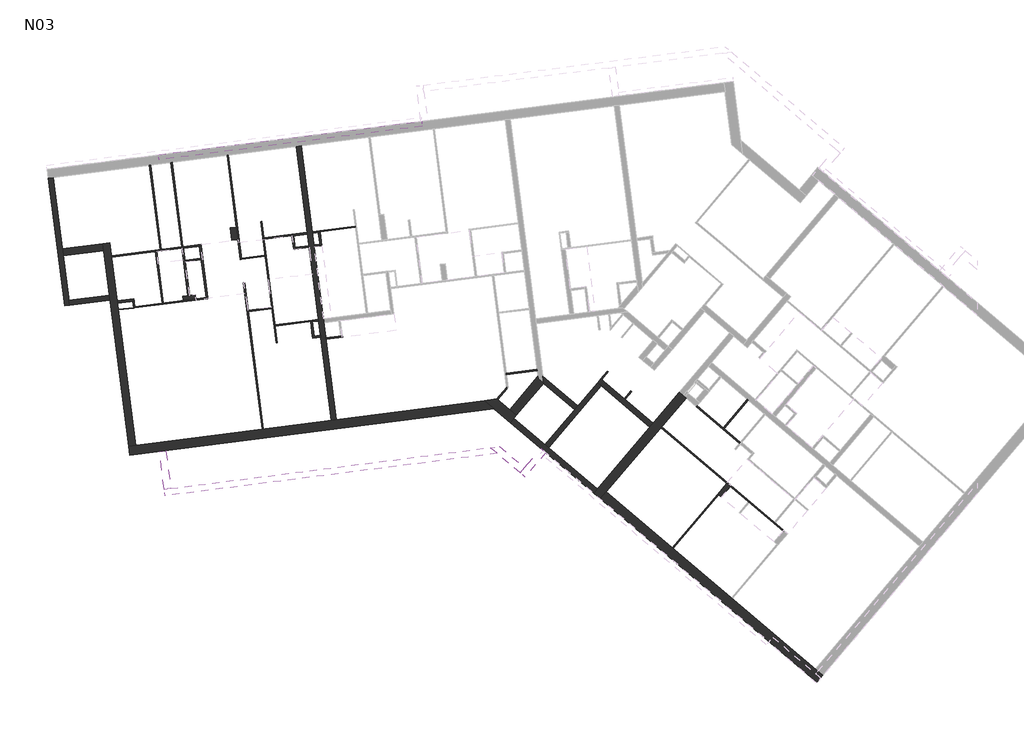
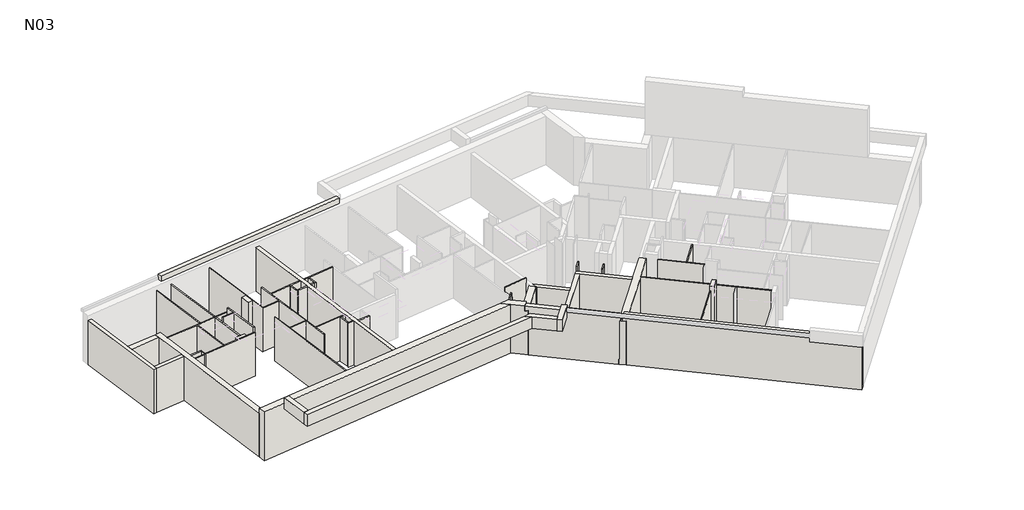
# One storey, part 1 of 3: 60 walls.
"""IFC4 building model written with IfcOpenShell, lengths in millimetres."""

from ifc_helpers import new_model, si_unit, frame, origin, place, context, project, spatial, polyline, outline, extrude, faceted_brep, element, save

model = new_model("IFC4")

# Units and contexts
model_context = context("Model", 3, world=origin())
ifc_project = project(units=[si_unit("LENGTHUNIT", "METRE", prefix="MILLI")], contexts=[model_context])

# Site, building, storey
site = spatial("IfcSite", under=ifc_project)
building = spatial("IfcBuilding", under=site)
storey = spatial("IfcBuildingStorey", under=building, Name="N03", Elevation=8610.0)

# Walls
placement = place(None, origin())
element("IfcWall", 1, at=placement, inside=storey, context=model_context, shape_type="Brep", body=[
    faceted_brep([(5758.2370181, 14194.8714572, 8610.0), (-70.9867131, 13449.8467438, 8610.0), (-269.3729541, 13424.4912832, 8610.0), (-7972.5911161, 12439.9540329, 8610.0), (-8260.2511655, 12403.1886151, 8610.0), (-8260.2511655, 12403.1886151, 11110.0), (-8260.2511655, 12403.1886151, 11380.0), (-7972.5911161, 12439.9540329, 11380.0), (5758.2370181, 14194.8714572, 11380.0), (-8213.3435635, 12036.1740692, 8610.0), (6140.2224716, 13870.6827304, 8610.0), (6140.2224716, 13870.6827304, 11380.0), (-7925.683514, 12072.939487, 11380.0), (-8213.3435635, 12036.1740692, 11380.0)], [[[0, 1, 2, 3, 4, 5, 6, 7, 8]], [[9, 10, 11, 12, 13]], [[4, 3, 2, 1, 0, 10, 9]], [[8, 7, 6, 13, 12, 11]], [[0, 8, 11, 10]], [[6, 5, 4, 9, 13]]]),
])
element("IfcWall", 2, at=placement, inside=storey, context=model_context, shape_type="Brep", body=[
    faceted_brep([(-11422.5288425, 22947.3623567, 8610.0), (-10780.4703476, 17923.7671021, 8610.0), (-10780.4703476, 17923.7671021, 11110.0), (-11422.5288425, 22947.3623567, 11110.0), (-11224.1426015, 22972.7178173, 8610.0), (-11224.1426015, 22972.7178173, 11110.0), (-10866.6306077, 20175.4718191, 11110.0), (-10829.8651899, 19887.8117696, 11110.0), (-10607.4395672, 18147.5088036, 11110.0), (-10582.0841066, 17949.1225626, 11110.0), (-10582.0841066, 17949.1225626, 8610.0), (-10607.4395672, 18147.5088036, 8610.0), (-10829.8651899, 19887.8117696, 8610.0), (-10866.6306077, 20175.4718191, 8610.0)], [[[0, 1, 2, 3]], [[4, 5, 6, 7, 8, 9, 10, 11, 12, 13]], [[1, 0, 4, 13, 12, 11, 10]], [[3, 2, 9, 8, 7, 6, 5]], [[2, 1, 10, 9]], [[0, 3, 5, 4]]]),
])
element("IfcWall", 3, at=placement, inside=storey, context=model_context, shape_type="SweptSolid", body=[
    extrude(outline(polyline([(-8994.9941786, 18151.966247), (-10582.0841066, 17949.1225626), (-10607.4395672, 18147.5088036), (-9020.3496391, 18350.352488), (-8994.9941786, 18151.966247)])), frame((0.0, 0.0, 8610.0), z_axis=(0.0, 0.0, 1.0), x_axis=(1.0, 0.0, 0.0)), (0.0, 0.0, 1.0), 2500.0),
])
element("IfcWall", 4, at=placement, inside=storey, context=model_context, shape_type="Brep", body=[
    faceted_brep([(-9279.5406797, 20378.3155035, 8610.0), (-9242.7752619, 20090.655454, 8610.0), (-9020.3496391, 18350.352488, 8610.0), (-8994.9941786, 18151.966247, 8610.0), (-8260.2511655, 12403.1886151, 8610.0), (-8260.2511655, 12403.1886151, 11110.0), (-8994.9941786, 18151.966247, 11110.0), (-9020.3496391, 18350.352488, 11110.0), (-9242.7752619, 20090.655454, 11110.0), (-9279.5406797, 20378.3155035, 11110.0), (-8991.8806302, 20415.0809213, 8610.0), (-8991.8806302, 20415.0809213, 11110.0), (-7972.5911161, 12439.9540329, 11110.0), (-7972.5911161, 12439.9540329, 8610.0)], [[[0, 1, 2, 3, 4, 5, 6, 7, 8, 9]], [[10, 11, 12, 13]], [[4, 3, 2, 1, 0, 10, 13]], [[9, 8, 7, 6, 5, 12, 11]], [[5, 4, 13, 12]], [[0, 9, 11, 10]]]),
])
element("IfcWall", 5, at=placement, inside=storey, context=model_context, shape_type="Brep", body=[
    faceted_brep([(-1646.174462, 24196.8641698, 8610.0), (-1214.5189483, 20819.5043069, 8610.0), (-1205.6445371, 20750.0691226, 8610.0), (-1147.9608644, 20298.7404243, 8610.0), (-1139.0864532, 20229.30524, 8610.0), (-776.338203, 17391.0897147, 8610.0), (-767.4637918, 17321.6545303, 8610.0), (-695.9892287, 16762.4231222, 8610.0), (-687.1148175, 16692.9879378, 8610.0), (-269.3729541, 13424.4912832, 8610.0), (-269.3729541, 13424.4912832, 11110.0), (-687.1148175, 16692.9879378, 11110.0), (-695.9892287, 16762.4231222, 11110.0), (-767.4637918, 17321.6545303, 11110.0), (-776.338203, 17391.0897147, 11110.0), (-1139.0864532, 20229.30524, 11110.0), (-1147.9608644, 20298.7404243, 11110.0), (-1205.6445371, 20750.0691226, 11110.0), (-1214.5189483, 20819.5043069, 11110.0), (-1646.174462, 24196.8641698, 11110.0), (-1447.788221, 24222.2196304, 8610.0), (-1447.788221, 24222.2196304, 11110.0), (-1016.7453916, 20849.6535333, 11110.0), (-1007.8709805, 20780.2183489, 11110.0), (-949.5746234, 20324.0958849, 11110.0), (-940.7002122, 20254.6607005, 11110.0), (-577.951962, 17416.4451752, 11110.0), (-557.6675935, 17257.7361824, 11110.0), (-482.8689849, 16672.4967715, 11110.0), (-473.9945737, 16603.0615871, 11110.0), (-70.9867131, 13449.8467438, 11110.0), (-70.9867131, 13449.8467438, 8610.0), (-473.9945737, 16603.0615871, 8610.0), (-482.8689849, 16672.4967715, 8610.0), (-557.6675935, 17257.7361824, 8610.0), (-577.951962, 17416.4451752, 8610.0), (-940.7002122, 20254.6607005, 8610.0), (-949.5746234, 20324.0958849, 8610.0), (-1007.8709805, 20780.2183489, 8610.0), (-1016.7453916, 20849.6535333, 8610.0)], [[[0, 1, 2, 3, 4, 5, 6, 7, 8, 9, 10, 11, 12, 13, 14, 15, 16, 17, 18, 19]], [[20, 21, 22, 23, 24, 25, 26, 27, 28, 29, 30, 31, 32, 33, 34, 35, 36, 37, 38, 39]], [[9, 8, 7, 6, 5, 4, 3, 2, 1, 0, 20, 39, 38, 37, 36, 35, 34, 33, 32, 31]], [[19, 18, 17, 16, 15, 14, 13, 12, 11, 10, 30, 29, 28, 27, 26, 25, 24, 23, 22, 21]], [[0, 19, 21, 20]], [[10, 9, 31, 30]]]),
])
element("IfcWall", 6, at=placement, inside=storey, context=model_context, shape_type="Brep", body=[
    faceted_brep([(10327.551374, 10316.9222052, 11110.0), (10327.551374, 10316.9222052, 8610.0), (10566.9673175, 10599.0214892, 8610.0), (12710.0141102, 13124.1330466, 8610.0), (12742.3676161, 13162.2545715, 8610.0), (13700.7356476, 14291.4815212, 8610.0), (13700.7356476, 14291.4815212, 11110.0), (12742.3676161, 13162.2545715, 11110.0), (12710.0141102, 13124.1330466, 11110.0), (10566.9673175, 10599.0214892, 11110.0), (10060.7007, 10543.3967463, 8610.0), (10060.7007, 10543.3967463, 8920.0), (10060.7007, 10543.3967463, 11110.0), (10203.0561258, 10711.1314557, 11110.0), (12273.6805015, 13150.909047, 11110.0), (12403.0945249, 13303.3951464, 11110.0), (13433.8849736, 14517.9560622, 11110.0), (13433.8849736, 14517.9560622, 8610.0), (12403.0945249, 13303.3951464, 8610.0), (12273.6805015, 13150.909047, 8610.0), (13586.371073, 14388.5420388, 8610.0), (13647.3655128, 14336.7764294, 8610.0), (13586.371073, 14388.5420388, 11110.0), (10129.3194447, 10485.1604357, 11110.0), (10194.126037, 10430.1594757, 11110.0)], [[[0, 1, 2, 3, 4, 5, 6, 7, 8, 9]], [[10, 11, 12, 13, 14, 15, 16, 17, 18, 19]], [[5, 4, 3, 2, 1, 10, 19, 18, 17, 20, 21]], [[0, 9, 8, 7, 6, 22, 16, 15, 14, 13, 12, 23, 24]], [[0, 24, 23, 12, 11, 10, 1]], [[6, 5, 21, 20, 17, 16, 22]]]),
])
element("IfcWall", 7, at=placement, inside=storey, context=model_context, shape_type="Brep", body=[
    faceted_brep([(12403.0945249, 13303.3951464, 8610.0), (11305.1946088, 14235.1761155, 8610.0), (11267.073084, 14267.5296214, 8610.0), (10382.6537071, 15018.1309575, 8610.0), (10344.5321823, 15050.4844634, 8610.0), (10344.5321823, 15050.4844634, 11110.0), (12403.0945249, 13303.3951464, 11110.0), (12273.6805015, 13150.909047, 8610.0), (12273.6805015, 13150.909047, 11110.0), (10367.6042582, 14768.5843405, 11110.0), (10215.1181588, 14897.9983639, 11110.0), (10215.1181588, 14897.9983639, 8610.0), (10367.6042582, 14768.5843405, 8610.0)], [[[0, 1, 2, 3, 4, 5, 6]], [[7, 8, 9, 10, 11, 12]], [[4, 3, 2, 1, 0, 7, 12, 11]], [[6, 5, 10, 9, 8]], [[5, 4, 11, 10]], [[0, 6, 8, 7]]]),
])
element("IfcWall", 8, at=placement, inside=storey, context=model_context, shape_type="Brep", body=[
    faceted_brep([(10215.1181588, 14897.9983639, 8610.0), (9438.6340179, 13983.0817672, 8610.0), (9309.2199944, 13830.5956677, 8610.0), (8144.4937831, 12458.2207726, 8610.0), (8144.4937831, 12458.2207726, 11110.0), (9309.2199944, 13830.5956677, 11110.0), (9438.6340179, 13983.0817672, 11110.0), (10215.1181588, 14897.9983639, 11110.0), (10367.6042582, 14768.5843405, 8610.0), (10367.6042582, 14768.5843405, 11110.0), (8296.9798826, 12328.8067492, 11110.0), (8296.9798826, 12328.8067492, 8610.0)], [[[0, 1, 2, 3, 4, 5, 6, 7]], [[8, 9, 10, 11]], [[3, 2, 1, 0, 8, 11]], [[7, 6, 5, 4, 10, 9]], [[0, 7, 9, 8]], [[4, 3, 11, 10]]]),
])
element("IfcWall", 9, at=placement, inside=storey, context=model_context, shape_type="Brep", body=[
    faceted_brep([(7021.6826483, 13607.8829857, 8610.0), (8089.348342, 14865.8933062, 8610.0), (8089.348342, 14865.8933062, 11110.0), (7021.6826483, 13607.8829857, 11110.0), (6754.8319743, 13834.3575268, 8610.0), (6754.8319743, 13834.3575268, 11110.0), (7865.2890942, 15142.7881766, 11110.0), (7865.2890942, 15142.7881766, 8610.0), (7877.7236226, 15045.4979161, 8610.0), (7877.7236226, 15045.4979161, 11110.0), (6888.2573113, 13721.1202563, 11110.0)], [[[0, 1, 2, 3]], [[4, 5, 6, 7]], [[1, 0, 4, 7, 8]], [[3, 2, 9, 6, 5, 10]], [[0, 3, 10, 5, 4]], [[2, 1, 8, 9]], [[8, 7, 6, 9]]]),
])
element("IfcWall", 10, at=placement, inside=storey, context=model_context, shape_type="Brep", body=[
    faceted_brep([(9438.6340179, 13983.0817672, 8610.0), (8066.276266, 15147.7934292, 8610.0), (8066.276266, 15147.7934292, 11110.0), (9438.6340179, 13983.0817672, 11110.0), (9309.2199944, 13830.5956677, 8610.0), (9309.2199944, 13830.5956677, 11110.0), (8103.8819853, 14853.5586918, 11110.0), (8103.8819853, 14853.5586918, 10610.0), (8103.8819853, 14853.5586918, 8610.0), (8100.609629, 14879.1622679, 8610.0)], [[[0, 1, 2, 3]], [[4, 5, 6, 7, 8]], [[1, 0, 4, 8, 9]], [[3, 2, 6, 5]], [[0, 3, 5, 4]], [[2, 1, 9, 8, 7, 6]]]),
])
element("IfcWall", 11, at=placement, inside=storey, context=model_context, shape_type="Brep", body=[
    faceted_brep([(10172.5589059, 10737.0142604, 8610.0), (8296.9798826, 12328.8067492, 8610.0), (8144.4937831, 12458.2207726, 8610.0), (6924.6221307, 13493.5184111, 8610.0), (6924.6221307, 13493.5184111, 11110.0), (6791.1967937, 13606.7556817, 11110.0), (6791.1967937, 13606.7556817, 11380.0), (6924.6221307, 13493.5184111, 11380.0), (10203.0561258, 10711.1314557, 11380.0), (10271.6748706, 10652.8951451, 11380.0), (10271.6748706, 10652.8951451, 11110.0), (10203.0561258, 10711.1314557, 11110.0), (10203.0561258, 10711.1314557, 8920.0), (10172.5589059, 10737.0142604, 8920.0), (10030.2034801, 10569.279551, 8610.0), (10030.2034801, 10569.279551, 8920.0), (10060.7007, 10543.3967463, 8920.0), (10060.7007, 10543.3967463, 11110.0), (10129.3194447, 10485.1604357, 11110.0), (10129.3194447, 10485.1604357, 11380.0), (10060.7007, 10543.3967463, 11380.0), (6782.2667049, 13325.7837017, 11380.0), (6648.8413679, 13439.0209723, 11380.0), (6648.8413679, 13439.0209723, 11110.0), (6782.2667049, 13325.7837017, 11110.0), (6782.2667049, 13325.7837017, 8610.0)], [[[0, 1, 2, 3, 4, 5, 6, 7, 8, 9, 10, 11, 12, 13]], [[14, 15, 16, 17, 18, 19, 20, 21, 22, 23, 24, 25]], [[3, 2, 1, 0, 14, 25]], [[9, 8, 7, 6, 22, 21, 20, 19]], [[6, 5, 23, 22]], [[23, 5, 4, 24]], [[4, 3, 25, 24]], [[12, 16, 15, 13]], [[10, 9, 19, 18]], [[10, 18, 17, 11]], [[0, 13, 15, 14]], [[12, 11, 17, 16]]]),
])
element("IfcWall", 12, at=placement, inside=storey, context=model_context, shape_type="Brep", body=[
    faceted_brep([(7021.6826483, 13607.8829857, 8610.0), (6888.2573113, 13721.1202563, 8610.0), (6754.8319743, 13834.3575268, 8610.0), (6293.3261913, 14226.0346728, 8610.0), (6255.2046664, 14258.3881787, 8610.0), (6255.2046664, 14258.3881787, 11380.0), (6293.3261913, 14226.0346728, 11380.0), (6888.2573113, 13721.1202563, 11380.0), (6888.2573113, 13721.1202563, 11110.0), (7021.6826483, 13607.8829857, 11110.0), (6782.2667049, 13325.7837017, 8610.0), (6782.2667049, 13325.7837017, 11110.0), (6648.8413679, 13439.0209723, 11110.0), (6648.8413679, 13439.0209723, 11380.0), (6140.2224716, 13870.6827304, 11380.0), (5758.2370181, 14194.8714572, 11380.0), (5758.2370181, 14194.8714572, 8610.0), (6140.2224716, 13870.6827304, 8610.0), (6648.8413679, 13439.0209723, 8610.0), (6924.6221307, 13493.5184111, 8610.0), (6791.1967937, 13606.7556817, 11380.0), (6791.1967937, 13606.7556817, 11110.0), (6924.6221307, 13493.5184111, 11110.0)], [[[0, 1, 2, 3, 4, 5, 6, 7, 8, 9]], [[10, 11, 12, 13, 14, 15, 16, 17, 18]], [[4, 3, 2, 1, 0, 19, 10, 18, 17, 16]], [[7, 6, 5, 15, 14, 13, 20]], [[8, 7, 20, 13, 12, 21]], [[8, 21, 12, 11, 22, 9]], [[0, 9, 22, 11, 10, 19]], [[5, 4, 16, 15]]]),
])
element("IfcWall", 13, at=placement, inside=storey, context=model_context, shape_type="Brep", body=[
    faceted_brep([(5996.4358323, 12340.1039215, 11050.0), (-6597.3795676, 10730.5064617, 11050.0), (-6855.2816809, 10697.544363, 11050.0), (-6855.2816809, 10697.544363, 11690.0), (-6597.3795676, 10730.5064617, 11690.0), (5996.4358323, 12340.1039215, 11690.0), (6264.8580429, 12112.2956269, 11050.0), (6264.8580429, 12112.2956269, 11690.0), (-6822.3195822, 10439.6422497, 11690.0), (-6822.3195822, 10439.6422497, 11050.0)], [[[0, 1, 2, 3, 4, 5]], [[6, 7, 8, 9]], [[2, 1, 0, 6, 9]], [[5, 4, 3, 8, 7]], [[3, 2, 9, 8]], [[0, 5, 7, 6]]]),
])
element("IfcWall", 14, at=placement, inside=storey, context=model_context, shape_type="SweptSolid", body=[
    extrude(outline(polyline([(-6787.5455217, 12218.4032693), (-6597.3795676, 10730.5064617), (-6855.2816809, 10697.544363), (-7045.447635, 12185.4411706), (-6787.5455217, 12218.4032693)])), frame((0.0, 0.0, 11050.0), z_axis=(0.0, 0.0, 1.0), x_axis=(1.0, 0.0, 0.0)), (0.0, 0.0, 1.0), 640.0),
])
element("IfcWall", 15, at=placement, inside=storey, context=model_context, shape_type="Brep", body=[
    faceted_brep([(19080.8771151, 3373.318121, 8610.0), (18798.7778311, 3612.7340644, 8610.0), (15531.8242191, 6385.3776887, 8610.0), (15493.7026942, 6417.7311946, 8610.0), (13191.8131736, 8371.3308048, 8610.0), (13153.6916488, 8403.6843107, 8610.0), (10566.9673175, 10599.0214892, 8610.0), (10566.9673175, 10599.0214892, 11110.0), (10433.5419804, 10712.2587597, 11110.0), (10433.5419804, 10712.2587597, 11380.0), (10566.9673175, 10599.0214892, 11380.0), (16923.1988078, 5204.5265532, 11380.0), (18897.8937958, 3528.6149492, 11380.0), (18897.8937958, 3528.6149492, 11050.0), (19080.8771151, 3373.318121, 11050.0), (10327.551374, 10316.9222052, 8610.0), (18841.4611717, 3091.218837, 8610.0), (18841.4611717, 3091.218837, 11050.0), (18658.4778524, 3246.5156652, 11050.0), (18658.4778524, 3246.5156652, 11380.0), (16965.8821484, 4683.0113258, 11380.0), (16683.7828644, 4922.4272692, 11380.0), (10327.551374, 10316.9222052, 11380.0), (10194.126037, 10430.1594757, 11380.0), (10194.126037, 10430.1594757, 11110.0), (10327.551374, 10316.9222052, 11110.0), (18813.7746805, 3429.4989845, 11050.0)], [[[0, 1, 2, 3, 4, 5, 6, 7, 8, 9, 10, 11, 12, 13, 14]], [[15, 16, 17, 18, 19, 20, 21, 22, 23, 24, 25]], [[6, 5, 4, 3, 2, 1, 0, 16, 15]], [[12, 11, 10, 9, 23, 22, 21, 20, 19]], [[23, 9, 8, 24]], [[6, 15, 25, 7]], [[24, 8, 7, 25]], [[18, 17, 14, 13, 26]], [[16, 0, 14, 17]], [[12, 19, 18, 26, 13]]]),
])
element("IfcWall", 16, at=placement, inside=storey, context=model_context, shape_type="Brep", body=[
    faceted_brep([(7979.2654424, 12309.8981668, 11690.0), (7979.2654424, 12309.8981668, 11050.0), (7332.195325, 11547.4676695, 11050.0), (7163.9570945, 11349.2357402, 11050.0), (7163.9570945, 11349.2357402, 11690.0), (7332.195325, 11547.4676695, 11690.0), (8177.4973717, 12141.6599362, 11050.0), (8177.4973717, 12141.6599362, 11690.0), (7362.1890238, 11180.9975097, 11690.0), (7362.1890238, 11180.9975097, 11050.0)], [[[0, 1, 2, 3, 4, 5]], [[6, 7, 8, 9]], [[3, 2, 1, 6, 9]], [[0, 5, 4, 8, 7]], [[0, 7, 6, 1]], [[4, 3, 9, 8]]]),
])
element("IfcWall", 17, at=placement, inside=storey, context=model_context, shape_type="Brep", body=[
    faceted_brep([(5996.4358323, 12340.1039215, 11050.0), (6264.8580429, 12112.2956269, 11050.0), (7163.9570945, 11349.2357402, 11050.0), (7163.9570945, 11349.2357402, 11690.0), (6264.8580429, 12112.2956269, 11690.0), (5996.4358323, 12340.1039215, 11690.0), (6345.6563419, 12384.7372933, 11050.0), (6345.6563419, 12384.7372933, 11690.0), (7332.195325, 11547.4676695, 11690.0), (7332.195325, 11547.4676695, 11050.0)], [[[0, 1, 2, 3, 4, 5]], [[6, 7, 8, 9]], [[2, 1, 0, 6, 9]], [[5, 4, 3, 8, 7]], [[3, 2, 9, 8]], [[0, 5, 7, 6]]]),
])
element("IfcWall", 18, at=placement, inside=storey, context=model_context, shape_type="SweptSolid", body=[
    extrude(outline(polyline([(-9242.7752619, 20090.655454), (-10829.8651899, 19887.8117696), (-10866.6306077, 20175.4718191), (-9279.5406797, 20378.3155035), (-9242.7752619, 20090.655454)])), frame((0.0, 0.0, 8610.0), z_axis=(0.0, 0.0, 1.0), x_axis=(1.0, 0.0, 0.0)), (0.0, 0.0, 1.0), 2500.0),
])
element("IfcWall", 19, ObjectType="CLO 10", at=placement, inside=storey, context=model_context, shape_type="Brep", body=[
    faceted_brep([(-8686.9385737, 18029.1527228, 8610.0), (-8091.7798507, 18105.2191044, 8610.0), (-8042.1832904, 18111.5579696, 8610.0), (-8042.1832904, 18111.5579696, 11110.0), (-8091.7798507, 18105.2191044, 11110.0), (-8686.9385737, 18029.1527228, 11110.0), (-8699.616304, 18128.3458433, 8610.0), (-8699.616304, 18128.3458433, 11110.0), (-8054.8610207, 18210.7510901, 11110.0), (-8054.8610207, 18210.7510901, 8610.0)], [[[0, 1, 2, 3, 4, 5]], [[6, 7, 8, 9]], [[2, 1, 0, 6, 9]], [[5, 4, 3, 8, 7]], [[0, 5, 7, 6]], [[3, 2, 9, 8]]]),
])
element("IfcWall", 20, ObjectType="CLO 2", at=placement, inside=storey, context=model_context, shape_type="SweptSolid", body=[
    extrude(outline(polyline([(-8655.244248, 17781.1699215), (-8060.085525, 17857.2363032), (-8057.549979, 17837.3976791), (-8652.708702, 17761.3312974), (-8655.244248, 17781.1699215)])), frame((0.0, 0.0, 8610.0), z_axis=(0.0, 0.0, 1.0), x_axis=(1.0, 0.0, 0.0)), (0.0, 0.0, 1.0), 2500.0),
])
element("IfcWall", 21, ObjectType="CLO 5", at=placement, inside=storey, context=model_context, shape_type="SweptSolid", body=[
    extrude(outline(polyline([(-7011.026644, 20140.0247343), (-7434.9653983, 23457.0071138), (-7385.368838, 23463.3459789), (-6961.4300838, 20146.3635995), (-7011.026644, 20140.0247343)])), frame((0.0, 0.0, 8610.0), z_axis=(0.0, 0.0, 1.0), x_axis=(1.0, 0.0, 0.0)), (0.0, 0.0, 1.0), 2500.0),
])
element("IfcWall", 22, ObjectType="CLO 5", at=placement, inside=storey, context=model_context, shape_type="Brep", body=[
    faceted_brep([(-8919.1150046, 19845.7479798, 8610.0), (-7198.1143639, 20065.7066, 8610.0), (-7148.5178036, 20072.0454652, 8610.0), (-6161.5462546, 20198.1888814, 8610.0), (-6161.5462546, 20198.1888814, 11110.0), (-7148.5178036, 20072.0454652, 11110.0), (-7198.1143639, 20065.7066, 11110.0), (-8919.1150046, 19845.7479798, 11110.0), (-8925.4538698, 19895.34454, 8610.0), (-8925.4538698, 19895.34454, 11110.0), (-7011.026644, 20140.0247343, 11110.0), (-6961.4300838, 20146.3635995, 11110.0), (-6167.8851198, 20247.7854417, 11110.0), (-6167.8851198, 20247.7854417, 8610.0), (-6961.4300838, 20146.3635995, 8610.0), (-7011.026644, 20140.0247343, 8610.0), (-6164.7156872, 20222.9871616, 8610.0), (-6163.4479142, 20213.0678495, 8610.0), (-6163.4479142, 20213.0678495, 11110.0), (-6164.7156872, 20222.9871616, 11110.0)], [[[0, 1, 2, 3, 4, 5, 6, 7]], [[8, 9, 10, 11, 12, 13, 14, 15]], [[3, 2, 1, 0, 8, 15, 14, 13, 16, 17]], [[7, 6, 5, 4, 18, 19, 12, 11, 10, 9]], [[0, 7, 9, 8]], [[4, 3, 17, 18]], [[17, 16, 19, 18]], [[16, 13, 12, 19]]]),
])
element("IfcWall", 23, ObjectType="CLO 5", at=placement, inside=storey, context=model_context, shape_type="Brep", body=[
    faceted_brep([(-4373.9852759, 23848.2265872, 8610.0), (-3849.8924524, 19747.6185558, 8610.0), (-3849.8924524, 19747.6185558, 11110.0), (-4373.9852759, 23848.2265872, 11110.0), (-4324.3887156, 23854.5654524, 8610.0), (-4324.3887156, 23854.5654524, 11110.0), (-3806.6347573, 19803.5539812, 11110.0), (-3800.2958922, 19753.9574209, 11110.0), (-3800.2958922, 19753.9574209, 8610.0), (-3806.6347573, 19803.5539812, 8610.0)], [[[0, 1, 2, 3]], [[4, 5, 6, 7, 8, 9]], [[1, 0, 4, 9, 8]], [[3, 2, 7, 6, 5]], [[0, 3, 5, 4]], [[2, 1, 8, 7]]]),
])
element("IfcWall", 24, ObjectType="CLO 5", at=placement, inside=storey, context=model_context, shape_type="SweptSolid", body=[
    extrude(outline(polyline([(-2920.640621, 20601.4473462), (-1829.5162954, 20740.9023792), (-1823.1774303, 20691.305819), (-2914.3017558, 20551.8507859), (-2920.640621, 20601.4473462)])), frame((0.0, 0.0, 8610.0), z_axis=(0.0, 0.0, 1.0), x_axis=(1.0, 0.0, 0.0)), (0.0, 0.0, 1.0), 2500.0),
])
element("IfcWall", 25, ObjectType="CLO 5", at=placement, inside=storey, context=model_context, shape_type="SweptSolid", body=[
    extrude(outline(polyline([(-2614.4616827, 17811.4491721), (-3536.9577034, 17693.5462805), (-3543.2965685, 17743.1428408), (-2620.8005478, 17861.0457323), (-2614.4616827, 17811.4491721)])), frame((0.0, 0.0, 8610.0), z_axis=(0.0, 0.0, 1.0), x_axis=(1.0, 0.0, 0.0)), (0.0, 0.0, 1.0), 2500.0),
])
element("IfcWall", 26, ObjectType="CLO 5", at=placement, inside=storey, context=model_context, shape_type="Brep", body=[
    faceted_brep([(-3053.1217016, 21243.6136977, 8610.0), (-2884.1387366, 19921.4568728, 8610.0), (-2877.7998715, 19871.8603125, 8610.0), (-2620.8005478, 17861.0457323, 8610.0), (-2614.4616827, 17811.4491721, 8610.0), (-2442.8330504, 16468.5921119, 8610.0), (-2442.8330504, 16468.5921119, 11110.0), (-2614.4616827, 17811.4491721, 11110.0), (-2620.8005478, 17861.0457323, 11110.0), (-2877.7998715, 19871.8603125, 11110.0), (-2884.1387366, 19921.4568728, 11110.0), (-3053.1217016, 21243.6136977, 11110.0), (-3003.5251414, 21249.9525628, 8610.0), (-3003.5251414, 21249.9525628, 11110.0), (-2920.640621, 20601.4473462, 11110.0), (-2914.3017558, 20551.8507859, 11110.0), (-2482.4598756, 17173.0327539, 11110.0), (-2476.1210105, 17123.4361937, 11110.0), (-2393.2364901, 16474.9309771, 11110.0), (-2393.2364901, 16474.9309771, 8610.0), (-2476.1210105, 17123.4361937, 8610.0), (-2482.4598756, 17173.0327539, 8610.0), (-2914.3017558, 20551.8507859, 8610.0), (-2920.640621, 20601.4473462, 8610.0)], [[[0, 1, 2, 3, 4, 5, 6, 7, 8, 9, 10, 11]], [[12, 13, 14, 15, 16, 17, 18, 19, 20, 21, 22, 23]], [[5, 4, 3, 2, 1, 0, 12, 23, 22, 21, 20, 19]], [[6, 5, 19, 18]], [[11, 10, 9, 8, 7, 6, 18, 17, 16, 15, 14, 13]], [[0, 11, 13, 12]]]),
])
element("IfcWall", 27, ObjectType="CLO 5", at=placement, inside=storey, context=model_context, shape_type="Brep", body=[
    faceted_brep([(-2476.1210105, 17123.4361937, 8610.0), (-1087.4173235, 17300.9244176, 8610.0), (-1017.9821391, 17309.7988287, 8610.0), (-1017.9821391, 17309.7988287, 11110.0), (-1087.4173235, 17300.9244176, 11110.0), (-2476.1210105, 17123.4361937, 11110.0), (-2482.4598756, 17173.0327539, 8610.0), (-2482.4598756, 17173.0327539, 11110.0), (-1024.3210043, 17359.395389, 11110.0), (-1024.3210043, 17359.395389, 8610.0)], [[[0, 1, 2, 3, 4, 5]], [[6, 7, 8, 9]], [[2, 1, 0, 6, 9]], [[5, 4, 3, 8, 7]], [[3, 2, 9, 8]], [[0, 5, 7, 6]]]),
])
element("IfcWall", 28, ObjectType="CLO 5", at=placement, inside=storey, context=model_context, shape_type="Brep", body=[
    faceted_brep([(-3731.9895609, 18825.1225351, 8610.0), (-2997.1837679, 13075.8537006, 8610.0), (-2997.1837679, 13075.8537006, 11110.0), (-3731.9895609, 18825.1225351, 11110.0), (-3682.3930006, 18831.4614003, 8610.0), (-3682.3930006, 18831.4614003, 11110.0), (-3543.2965685, 17743.1428408, 11110.0), (-3536.9577034, 17693.5462805, 11110.0), (-2947.5872077, 13082.1925658, 11110.0), (-2947.5872077, 13082.1925658, 8610.0), (-3536.9577034, 17693.5462805, 8610.0), (-3543.2965685, 17743.1428408, 8610.0)], [[[0, 1, 2, 3]], [[4, 5, 6, 7, 8, 9, 10, 11]], [[1, 0, 4, 11, 10, 9]], [[2, 1, 9, 8]], [[3, 2, 8, 7, 6, 5]], [[0, 3, 5, 4]]]),
])
element("IfcWall", 29, ObjectType="CLO 5", at=placement, inside=storey, context=model_context, shape_type="Brep", body=[
    faceted_brep([(12710.0141102, 13124.1330466, 8610.0), (15296.7384415, 10928.7958681, 8610.0), (15449.224541, 10799.3818446, 8610.0), (16158.2849035, 10197.6066355, 8610.0), (16196.4064283, 10165.2531296, 8610.0), (17522.3849124, 9039.9032696, 8610.0), (17522.3849124, 9039.9032696, 11110.0), (16196.4064283, 10165.2531296, 11110.0), (16158.2849035, 10197.6066355, 11110.0), (12710.0141102, 13124.1330466, 11110.0), (12742.3676161, 13162.2545715, 8610.0), (12742.3676161, 13162.2545715, 11110.0), (17173.5231696, 9401.5598532, 11110.0), (17211.6446945, 9369.2063473, 11110.0), (17554.7384183, 9078.0247945, 11110.0), (17554.7384183, 9078.0247945, 8610.0), (17211.6446945, 9369.2063473, 8610.0), (17173.5231696, 9401.5598532, 8610.0)], [[[0, 1, 2, 3, 4, 5, 6, 7, 8, 9]], [[10, 11, 12, 13, 14, 15, 16, 17]], [[5, 4, 3, 2, 1, 0, 10, 17, 16, 15]], [[6, 5, 15, 14]], [[9, 8, 7, 6, 14, 13, 12, 11]], [[0, 9, 11, 10]]]),
])
element("IfcWall", 30, ObjectType="CLO 5", at=placement, inside=storey, context=model_context, shape_type="SweptSolid", body=[
    extrude(outline(polyline([(14980.9620482, 10479.4511298), (13191.8131736, 8371.3308048), (13153.6916488, 8403.6843107), (14942.8405234, 10511.8046357), (14980.9620482, 10479.4511298)])), frame((0.0, 0.0, 8610.0), z_axis=(0.0, 0.0, 1.0), x_axis=(1.0, 0.0, 0.0)), (0.0, 0.0, 1.0), 2500.0),
])
element("IfcWall", 31, ObjectType="CLO 5", at=placement, inside=storey, context=model_context, shape_type="Brep", body=[
    faceted_brep([(-8091.7798507, 18105.2191044, 8610.0), (-8060.085525, 17857.2363032, 8610.0), (-8057.549979, 17837.3976791, 8610.0), (-8057.549979, 17837.3976791, 11110.0), (-8060.085525, 17857.2363032, 11110.0), (-8091.7798507, 18105.2191044, 11110.0), (-8042.1832904, 18111.5579696, 8610.0), (-8042.1832904, 18111.5579696, 11110.0), (-8014.2922838, 17893.3331045, 11110.0), (-8007.9534187, 17843.7365442, 11110.0), (-8007.9534187, 17843.7365442, 8610.0), (-8014.2922838, 17893.3331045, 8610.0)], [[[0, 1, 2, 3, 4, 5]], [[6, 7, 8, 9, 10, 11]], [[2, 1, 0, 6, 11, 10]], [[5, 4, 3, 9, 8, 7]], [[3, 2, 10, 9]], [[0, 5, 7, 6]]]),
])
element("IfcWall", 32, ObjectType="CLO 5", at=placement, inside=storey, context=model_context, shape_type="SweptSolid", body=[
    extrude(outline(polyline([(-6938.0469264, 18030.886478), (-7198.1143639, 20065.7066), (-7148.5178036, 20072.0454652), (-6888.4503661, 18037.2253431), (-6938.0469264, 18030.886478)])), frame((0.0, 0.0, 8610.0), z_axis=(0.0, 0.0, 1.0), x_axis=(1.0, 0.0, 0.0)), (0.0, 0.0, 1.0), 2500.0),
])
element("IfcWall", 33, ObjectType="CLO 5", at=placement, inside=storey, context=model_context, shape_type="Brep", body=[
    faceted_brep([(-5137.6917893, 18260.9872825, 8610.0), (-6888.4503661, 18037.2253431, 8610.0), (-6938.0469264, 18030.886478, 8610.0), (-8014.2922838, 17893.3331045, 8610.0), (-8014.2922838, 17893.3331045, 11110.0), (-6938.0469264, 18030.886478, 11110.0), (-6888.4503661, 18037.2253431, 11110.0), (-5137.6917893, 18260.9872825, 11110.0), (-5137.6917893, 18260.9872825, 11090.0), (-5131.3529241, 18211.3907222, 8610.0), (-5131.3529241, 18211.3907222, 11110.0), (-8007.9534187, 17843.7365442, 11110.0), (-8007.9534187, 17843.7365442, 8610.0)], [[[0, 1, 2, 3, 4, 5, 6, 7, 8]], [[9, 10, 11, 12]], [[3, 2, 1, 0, 9, 12]], [[7, 6, 5, 4, 11, 10]], [[0, 8, 7, 10, 9]], [[4, 3, 12, 11]]]),
])
element("IfcWall", 34, ObjectType="CLO 5", at=placement, inside=storey, context=model_context, shape_type="SweptSolid", body=[
    extrude(outline(polyline([(-6542.2273138, 23571.1066863), (-6118.2885595, 20254.1243068), (-6167.8851198, 20247.7854417), (-6591.823874, 23564.7678211), (-6542.2273138, 23571.1066863)])), frame((0.0, 0.0, 8610.0), z_axis=(0.0, 0.0, 1.0), x_axis=(1.0, 0.0, 0.0)), (0.0, 0.0, 1.0), 2500.0),
])
element("IfcWall", 35, ObjectType="CLO 5", at=placement, inside=storey, context=model_context, shape_type="Brep", body=[
    faceted_brep([(15833.841628, 12546.7072212, 8610.0), (15201.0243153, 13083.7754186, 8610.0), (15162.9027904, 13116.1289245, 8610.0), (14137.1773171, 13986.6558838, 8610.0), (14137.1773171, 13986.6558838, 11110.0), (15162.9027904, 13116.1289245, 11110.0), (15201.0243153, 13083.7754186, 11110.0), (15833.841628, 12546.7072212, 11110.0), (15801.4881222, 12508.5856963, 8610.0), (15801.4881222, 12508.5856963, 11110.0), (14104.8238112, 13948.5343589, 11110.0), (14104.8238112, 13948.5343589, 8610.0)], [[[0, 1, 2, 3, 4, 5, 6, 7]], [[8, 9, 10, 11]], [[3, 2, 1, 0, 8, 11]], [[7, 6, 5, 4, 10, 9]], [[0, 7, 9, 8]], [[4, 3, 11, 10]]]),
])
element("IfcWall", 36, ObjectType="CLO 5", at=placement, inside=storey, context=model_context, shape_type="Brep", body=[
    faceted_brep([(16113.3916052, 14236.0719418, 8610.0), (15162.9027904, 13116.1289245, 8610.0), (15162.9027904, 13116.1289245, 11110.0), (16113.3916052, 14236.0719418, 11110.0), (16151.51313, 14203.718436, 8610.0), (16151.51313, 14203.718436, 11110.0), (15201.0243153, 13083.7754186, 11110.0), (15201.0243153, 13083.7754186, 10710.0), (15201.0243153, 13083.7754186, 8610.0)], [[[0, 1, 2, 3]], [[4, 5, 6, 7, 8]], [[1, 0, 4, 8]], [[3, 2, 6, 5]], [[0, 3, 5, 4]], [[2, 1, 8, 7, 6]]]),
])
element("IfcWall", 37, ObjectType="CLO 5", at=placement, inside=storey, context=model_context, shape_type="Brep", body=[
    faceted_brep([(-2884.1387366, 19921.4568728, 8610.0), (-3806.6347573, 19803.5539812, 8610.0), (-3806.6347573, 19803.5539812, 11110.0), (-2884.1387366, 19921.4568728, 11110.0), (-2877.7998715, 19871.8603125, 8610.0), (-2877.7998715, 19871.8603125, 10710.0), (-2877.7998715, 19871.8603125, 11110.0), (-3800.2958922, 19753.9574209, 11110.0), (-3800.2958922, 19753.9574209, 8610.0)], [[[0, 1, 2, 3]], [[4, 5, 6, 7, 8]], [[1, 0, 4, 8]], [[3, 2, 7, 6]], [[0, 3, 6, 5, 4]], [[2, 1, 8, 7]]]),
])
element("IfcWall", 38, ObjectType="CLO 5", at=placement, inside=storey, context=model_context, shape_type="SweptSolid", body=[
    extrude(outline(polyline([(11564.0226558, 14540.1483144), (11305.1946088, 14235.1761155), (11267.073084, 14267.5296214), (11525.9011309, 14572.5018203), (11564.0226558, 14540.1483144)])), frame((0.0, 0.0, 8610.0), z_axis=(0.0, 0.0, 1.0), x_axis=(1.0, 0.0, 0.0)), (0.0, 0.0, 1.0), 2770.0),
])
element("IfcWall", 39, ObjectType="CLO 5", at=placement, inside=storey, context=model_context, shape_type="Brep", body=[
    faceted_brep([(10382.6537071, 15018.1309575, 8610.0), (10641.4817541, 15323.1031564, 8610.0), (10641.4817541, 15323.1031564, 11380.0), (10382.6537071, 15018.1309575, 11380.0), (10344.5321823, 15050.4844634, 8610.0), (10344.5321823, 15050.4844634, 11110.0), (10344.5321823, 15050.4844634, 11380.0), (10603.3602292, 15355.4566623, 11380.0), (10603.3602292, 15355.4566623, 8610.0)], [[[0, 1, 2, 3]], [[4, 5, 6, 7, 8]], [[1, 0, 4, 8]], [[2, 1, 8, 7]], [[3, 2, 7, 6]], [[0, 3, 6, 5, 4]]]),
])
element("IfcWall", 40, ObjectType="CLO 5", at=placement, inside=storey, context=model_context, shape_type="SweptSolid", body=[
    extrude(outline(polyline([(7836.5338475, 15367.7750306), (6626.3777773, 15213.1067212), (6620.0389122, 15262.7032815), (7830.1949823, 15417.3715908), (7836.5338475, 15367.7750306)])), frame((0.0, 0.0, 8610.0), z_axis=(0.0, 0.0, 1.0), x_axis=(1.0, 0.0, 0.0)), (0.0, 0.0, 1.0), 2770.0),
])
element("IfcWall", 41, ObjectType="CLO 5", at=placement, inside=storey, context=model_context, shape_type="SweptSolid", body=[
    extrude(outline(polyline([(672.7679817, 21015.1810896), (-712.827165, 20838.0901638), (-719.1660301, 20887.6867241), (666.4291166, 21064.7776499), (672.7679817, 21015.1810896)])), frame((0.0, 0.0, 8610.0), z_axis=(0.0, 0.0, 1.0), x_axis=(1.0, 0.0, 0.0)), (0.0, 0.0, 1.0), 2500.0),
])
element("IfcWall", 42, ObjectType="CLO 5", at=placement, inside=storey, context=model_context, shape_type="Brep", body=[
    faceted_brep([(6293.3261913, 14226.0346728, 8610.0), (6648.6217842, 14644.672759, 8610.0), (6648.6217842, 14644.672759, 11110.0), (6648.6217842, 14644.672759, 11380.0), (6293.3261913, 14226.0346728, 11380.0), (6255.2046664, 14258.3881787, 8610.0), (6255.2046664, 14258.3881787, 11380.0), (6640.0384435, 14711.8305493, 11380.0), (6640.0384435, 14711.8305493, 8610.0)], [[[0, 1, 2, 3, 4]], [[5, 6, 7, 8]], [[1, 0, 5, 8]], [[4, 3, 7, 6]], [[0, 4, 6, 5]], [[3, 2, 1, 8, 7]]]),
])
element("IfcWall", 43, ObjectType="CLO 7", at=placement, inside=storey, context=model_context, shape_type="Brep", body=[
    faceted_brep([(-5852.3280012, 18330.9521633, 8610.0), (-6021.6183438, 19655.5139725, 8610.0), (-6030.492755, 19724.9491568, 8610.0), (-6089.5755242, 20187.2246685, 8610.0), (-6098.4499354, 20256.6598529, 8610.0), (-6098.4499354, 20256.6598529, 11110.0), (-6089.5755242, 20187.2246685, 11110.0), (-5852.3280012, 18330.9521633, 11110.0), (-5921.7631856, 18322.0777521, 8610.0), (-5921.7631856, 18322.0777521, 11110.0), (-6161.5462546, 20198.1888814, 11110.0), (-6163.4479142, 20213.0678495, 11110.0), (-6164.7156872, 20222.9871616, 11110.0), (-6167.8851198, 20247.7854417, 11110.0), (-6167.8851198, 20247.7854417, 8610.0), (-6164.7156872, 20222.9871616, 8610.0), (-6163.4479142, 20213.0678495, 8610.0), (-6161.5462546, 20198.1888814, 8610.0), (-6118.2885595, 20254.1243068, 8610.0), (-6118.2885595, 20254.1243068, 11110.0)], [[[0, 1, 2, 3, 4, 5, 6, 7]], [[8, 9, 10, 11, 12, 13, 14, 15, 16, 17]], [[4, 3, 2, 1, 0, 8, 17, 16, 15, 14, 18]], [[7, 6, 5, 19, 13, 12, 11, 10, 9]], [[0, 7, 9, 8]], [[5, 4, 18, 14, 13, 19]]]),
])
element("IfcWall", 44, ObjectType="CLO 7", at=placement, inside=storey, context=model_context, shape_type="Brep", body=[
    faceted_brep([(-1214.5189483, 20819.5043069, 8610.0), (-1829.5162954, 20740.9023792, 8610.0), (-1829.5162954, 20740.9023792, 11110.0), (-1214.5189483, 20819.5043069, 11110.0), (-1205.6445371, 20750.0691226, 8610.0), (-1205.6445371, 20750.0691226, 11110.0), (-1751.2066999, 20680.3416061, 11110.0), (-1820.6418843, 20671.4671949, 11110.0), (-1820.6418843, 20671.4671949, 8610.0), (-1751.2066999, 20680.3416061, 8610.0), (-1823.1774303, 20691.305819, 8610.0), (-1823.1774303, 20691.305819, 11110.0)], [[[0, 1, 2, 3]], [[4, 5, 6, 7, 8, 9]], [[1, 0, 4, 9, 8, 10]], [[3, 2, 11, 7, 6, 5]], [[2, 1, 10, 8, 7, 11]], [[0, 3, 5, 4]]]),
])
element("IfcWall", 45, ObjectType="CLO 7", at=placement, inside=storey, context=model_context, shape_type="Brep", body=[
    faceted_brep([(-1820.6418843, 20671.4671949, 8610.0), (-1754.0838003, 20150.7033122, 8610.0), (-1754.0838003, 20150.7033122, 11110.0), (-1820.6418843, 20671.4671949, 11110.0), (-1751.2066999, 20680.3416061, 8610.0), (-1751.2066999, 20680.3416061, 11110.0), (-1693.5230271, 20229.0129078, 11110.0), (-1684.648616, 20159.5777234, 11110.0), (-1684.648616, 20159.5777234, 8610.0), (-1693.5230271, 20229.0129078, 8610.0)], [[[0, 1, 2, 3]], [[4, 5, 6, 7, 8, 9]], [[1, 0, 4, 9, 8]], [[3, 2, 7, 6, 5]], [[2, 1, 8, 7]], [[0, 3, 5, 4]]]),
])
element("IfcWall", 46, ObjectType="CLO 7", at=placement, inside=storey, context=model_context, shape_type="SweptSolid", body=[
    extrude(outline(polyline([(-1139.0864532, 20229.30524), (-1684.648616, 20159.5777234), (-1693.5230271, 20229.0129078), (-1147.9608644, 20298.7404243), (-1139.0864532, 20229.30524)])), frame((0.0, 0.0, 8610.0), z_axis=(0.0, 0.0, 1.0), x_axis=(1.0, 0.0, 0.0)), (0.0, 0.0, 1.0), 2500.0),
])
element("IfcWall", 47, ObjectType="CLO 7", at=placement, inside=storey, context=model_context, shape_type="Brep", body=[
    faceted_brep([(-695.9892287, 16762.4231222, 8610.0), (-943.9720299, 16730.7287965, 8610.0), (-1013.4072143, 16721.8543853, 8610.0), (-1013.4072143, 16721.8543853, 11110.0), (-943.9720299, 16730.7287965, 11110.0), (-695.9892287, 16762.4231222, 11110.0), (-687.1148175, 16692.9879378, 8610.0), (-687.1148175, 16692.9879378, 11110.0), (-1004.5328031, 16652.4192009, 11110.0), (-1004.5328031, 16652.4192009, 8610.0)], [[[0, 1, 2, 3, 4, 5]], [[6, 7, 8, 9]], [[2, 1, 0, 6, 9]], [[5, 4, 3, 8, 7]], [[0, 5, 7, 6]], [[3, 2, 9, 8]]]),
])
element("IfcWall", 48, ObjectType="CLO 7", at=placement, inside=storey, context=model_context, shape_type="SweptSolid", body=[
    extrude(outline(polyline([(-1017.9821391, 17309.7988287), (-943.9720299, 16730.7287965), (-1013.4072143, 16721.8543853), (-1087.4173235, 17300.9244176), (-1017.9821391, 17309.7988287)])), frame((0.0, 0.0, 8610.0), z_axis=(0.0, 0.0, 1.0), x_axis=(1.0, 0.0, 0.0)), (0.0, 0.0, 1.0), 2500.0),
])
element("IfcWall", 49, ObjectType="CLO 7", at=placement, inside=storey, context=model_context, shape_type="Brep", body=[
    faceted_brep([(-1015.4465931, 17289.9602046, 8610.0), (-767.4637918, 17321.6545303, 8610.0), (-767.4637918, 17321.6545303, 11110.0), (-1015.4465931, 17289.9602046, 11110.0), (-1024.3210043, 17359.395389, 8610.0), (-1024.3210043, 17359.395389, 11110.0), (-776.338203, 17391.0897147, 11110.0), (-776.338203, 17391.0897147, 8610.0), (-1017.9821391, 17309.7988287, 8610.0), (-1017.9821391, 17309.7988287, 11110.0)], [[[0, 1, 2, 3]], [[4, 5, 6, 7]], [[1, 0, 8, 4, 7]], [[3, 2, 6, 5, 9]], [[2, 1, 7, 6]], [[0, 3, 9, 5, 4, 8]]]),
])
element("IfcWall", 50, ObjectType="CLO 7", at=placement, inside=storey, context=model_context, shape_type="Brep", body=[
    faceted_brep([(-6089.5755242, 20187.2246685, 8610.0), (-5464.6588651, 20267.0943693, 8610.0), (-5395.2236807, 20275.9687805, 8610.0), (-5395.2236807, 20275.9687805, 11110.0), (-6089.5755242, 20187.2246685, 11110.0), (-6098.4499354, 20256.6598529, 8610.0), (-6098.4499354, 20256.6598529, 11110.0), (-5404.0980919, 20345.4039648, 11110.0), (-5404.0980919, 20345.4039648, 8610.0)], [[[0, 1, 2, 3, 4]], [[5, 6, 7, 8]], [[2, 1, 0, 5, 8]], [[4, 3, 7, 6]], [[0, 4, 6, 5]], [[3, 2, 8, 7]]]),
])
element("IfcWall", 51, ObjectType="CLO 7", at=placement, inside=storey, context=model_context, shape_type="Brep", body=[
    faceted_brep([(-5464.6588651, 20267.0943693, 8610.0), (-5405.5760958, 19804.8188576, 8610.0), (-5396.7016846, 19735.3836732, 8610.0), (-5207.1269736, 18252.1128713, 8610.0), (-5207.1269736, 18252.1128713, 11380.0), (-5396.7016846, 19735.3836732, 11380.0), (-5405.5760958, 19804.8188576, 11380.0), (-5464.6588651, 20267.0943693, 11380.0), (-5395.2236807, 20275.9687805, 8610.0), (-5395.2236807, 20275.9687805, 11110.0), (-5395.2236807, 20275.9687805, 11380.0), (-5137.6917893, 18260.9872825, 11380.0), (-5137.6917893, 18260.9872825, 11110.0), (-5137.6917893, 18260.9872825, 8610.0)], [[[0, 1, 2, 3, 4, 5, 6, 7]], [[8, 9, 10, 11, 12, 13]], [[3, 2, 1, 0, 8, 13]], [[7, 6, 5, 4, 11, 10]], [[0, 7, 10, 9, 8]], [[4, 3, 13, 12, 11]]]),
])
element("IfcWall", 52, ObjectType="CLO 7", at=placement, inside=storey, context=model_context, shape_type="SweptSolid", body=[
    extrude(outline(polyline([(-6030.492755, 19724.9491568), (-5405.5760958, 19804.8188576), (-5396.7016846, 19735.3836732), (-6021.6183438, 19655.5139725), (-6030.492755, 19724.9491568)])), frame((0.0, 0.0, 8610.0), z_axis=(0.0, 0.0, 1.0), x_axis=(1.0, 0.0, 0.0)), (0.0, 0.0, 1.0), 2770.0),
])
element("IfcWall", 53, ObjectType="CLO 7", at=placement, inside=storey, context=model_context, shape_type="Brep", body=[
    faceted_brep([(-1007.8709805, 20780.2183489, 8610.0), (-779.7268033, 20809.3771286, 8610.0), (-710.2916189, 20818.2515397, 8610.0), (-710.2916189, 20818.2515397, 11110.0), (-779.7268033, 20809.3771286, 11110.0), (-1007.8709805, 20780.2183489, 11110.0), (-1016.7453916, 20849.6535333, 8610.0), (-1016.7453916, 20849.6535333, 11110.0), (-719.1660301, 20887.6867241, 11110.0), (-719.1660301, 20887.6867241, 8610.0), (-712.827165, 20838.0901638, 8610.0), (-712.827165, 20838.0901638, 11110.0)], [[[0, 1, 2, 3, 4, 5]], [[6, 7, 8, 9]], [[2, 1, 0, 6, 9, 10]], [[5, 4, 3, 11, 8, 7]], [[3, 2, 10, 9, 8, 11]], [[0, 5, 7, 6]]]),
])
element("IfcWall", 54, ObjectType="CLO 7", at=placement, inside=storey, context=model_context, shape_type="Brep", body=[
    faceted_brep([(-779.7268033, 20809.3771286, 8610.0), (-721.4304462, 20353.2546645, 8610.0), (-712.556035, 20283.8194801, 8610.0), (-712.556035, 20283.8194801, 11110.0), (-721.4304462, 20353.2546645, 11110.0), (-779.7268033, 20809.3771286, 11110.0), (-710.2916189, 20818.2515397, 8610.0), (-710.2916189, 20818.2515397, 11110.0), (-643.1208507, 20292.6938913, 11110.0), (-643.1208507, 20292.6938913, 8610.0)], [[[0, 1, 2, 3, 4, 5]], [[6, 7, 8, 9]], [[2, 1, 0, 6, 9]], [[5, 4, 3, 8, 7]], [[3, 2, 9, 8]], [[0, 5, 7, 6]]]),
])
element("IfcWall", 55, ObjectType="CLO 7", at=placement, inside=storey, context=model_context, shape_type="SweptSolid", body=[
    extrude(outline(polyline([(-949.5746234, 20324.0958849), (-721.4304462, 20353.2546645), (-712.556035, 20283.8194801), (-940.7002122, 20254.6607005), (-949.5746234, 20324.0958849)])), frame((0.0, 0.0, 8610.0), z_axis=(0.0, 0.0, 1.0), x_axis=(1.0, 0.0, 0.0)), (0.0, 0.0, 1.0), 2500.0),
])
element("IfcWall", 56, ObjectType="CLO 7", at=placement, inside=storey, context=model_context, shape_type="Brep", body=[
    faceted_brep([(-473.9945737, 16603.0615871, 8610.0), (170.7607095, 16685.4668339, 8610.0), (170.7607095, 16685.4668339, 11110.0), (-473.9945737, 16603.0615871, 11110.0), (-482.8689849, 16672.4967715, 8610.0), (-482.8689849, 16672.4967715, 11110.0), (92.451114, 16746.0276071, 11110.0), (161.8862983, 16754.9020183, 11110.0), (161.8862983, 16754.9020183, 8610.0), (92.451114, 16746.0276071, 8610.0)], [[[0, 1, 2, 3]], [[4, 5, 6, 7, 8, 9]], [[1, 0, 4, 9, 8]], [[3, 2, 7, 6, 5]], [[2, 1, 8, 7]], [[0, 3, 5, 4]]]),
])
element("IfcWall", 57, ObjectType="EXT 16 ST", at=placement, inside=storey, context=model_context, shape_type="SweptSolid", body=[
    extrude(outline(polyline([(-6119.2770716, 18296.833786), (-5623.3113604, 18360.2224513), (-5603.026992, 18201.5134585), (-6098.9927032, 18138.1247932), (-6119.2770716, 18296.833786)])), frame((0.0, 0.0, 8610.0), z_axis=(0.0, 0.0, 1.0), x_axis=(1.0, 0.0, 0.0)), (0.0, 0.0, 1.0), 2500.0),
])
element("IfcWall", 58, ObjectType="EXT 20", at=placement, inside=storey, context=model_context, shape_type="Brep", body=[
    faceted_brep([(3281.4529292, 25199.666889, 11050.0), (-7079.2685073, 23875.4779617, 11050.0), (-7079.2685073, 23875.4779617, 11380.0), (-7079.2685073, 23875.4779617, 11690.0), (3281.4529292, 25199.666889, 11690.0), (3281.4529292, 25199.666889, 11380.0), (3306.8083897, 25001.280648, 11050.0), (3306.8083897, 25001.280648, 11380.0), (3306.8083897, 25001.280648, 11690.0), (-7053.9130468, 23677.0917207, 11690.0), (-7053.9130468, 23677.0917207, 11380.0), (-7053.9130468, 23677.0917207, 11050.0)], [[[0, 1, 2, 3, 4, 5]], [[6, 7, 8, 9, 10, 11]], [[1, 0, 6, 11]], [[3, 2, 1, 11, 10, 9]], [[4, 3, 9, 8]], [[0, 5, 4, 8, 7, 6]]]),
])
element("IfcWall", 59, ObjectType="EXT 20 ST", at=placement, inside=storey, context=model_context, shape_type="Brep", body=[
    faceted_brep([(15095.3266228, 10382.3906122, 8610.0), (15449.224541, 10799.3818446, 8610.0), (15449.224541, 10799.3818446, 10710.0), (15449.224541, 10799.3818446, 11380.0), (15095.3266228, 10382.3906122, 11380.0), (14942.8405234, 10511.8046357, 8610.0), (14942.8405234, 10511.8046357, 11380.0), (15296.7384415, 10928.7958681, 11380.0), (15296.7384415, 10928.7958681, 10710.0), (15296.7384415, 10928.7958681, 8610.0), (14980.9620482, 10479.4511298, 8610.0)], [[[0, 1, 2, 3, 4]], [[5, 6, 7, 8, 9]], [[1, 0, 10, 5, 9]], [[4, 3, 7, 6]], [[0, 4, 6, 5, 10]], [[3, 2, 1, 9, 8, 7]]]),
])
element("IfcWall", 60, ObjectType="EXT 25 ST", at=placement, inside=storey, context=model_context, shape_type="SweptSolid", body=[
    extrude(outline(polyline([(-4198.0293229, 20499.5498821), (-4261.4179742, 20995.5154846), (-4013.435173, 21027.2098103), (-3950.0465216, 20531.2442078), (-4198.0293229, 20499.5498821)])), frame((0.0, 0.0, 8610.0), z_axis=(0.0, 0.0, 1.0), x_axis=(1.0, 0.0, 0.0)), (0.0, 0.0, 1.0), 2500.0),
])

save(model, "model.ifc")
